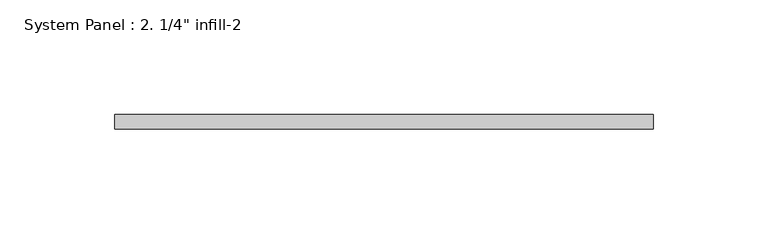
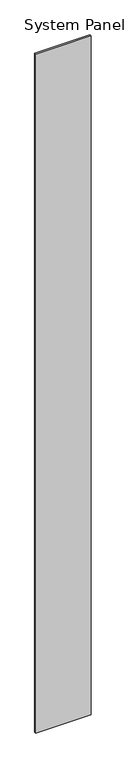
"""IFC4 building model written with IfcOpenShell, lengths in millimetres: plate geometry."""

from ifc_helpers import new_model, si_unit, origin, origin_with_axes, place, context, project, spatial, polyline, outline, extrude, source, transform, mapped, element, save


def plate_2748e703(model_context):
    return source(origin(), model_context, "Body", "SweptSolid", [
        extrude(outline(polyline([(117.475, 0.0), (-117.475, 0.0), (-117.475, 6.35), (117.475, 6.35), (117.475, 0.0)])), origin_with_axes(), (0.0, 0.0, 1.0), 3048.0),
    ])


if __name__ == "__main__":
    model = new_model("IFC4")
    model_context = context("Model", 3, world=origin())
    ifc_project = project(units=[si_unit("LENGTHUNIT", "METRE", prefix="MILLI")], contexts=[model_context])
    site = spatial("IfcSite", under=ifc_project)
    building = spatial("IfcBuilding", under=site)
    placement = place(None, origin())
    plate_shape = plate_2748e703(model_context)
    element("IfcPlate", 1, ObjectType="System Panel : 2. 1/4\" infill-2", at=placement, inside=building, context=model_context, shape_type="MappedRepresentation", body=[
        mapped(plate_shape, transform((0.0, 0.0, 0.0), x_axis=(1.0, 0.0, 0.0), y_axis=(0.0, 1.0, 0.0), z_axis=(0.0, 0.0, 1.0))),
    ])
    save(model, "model.ifc")
